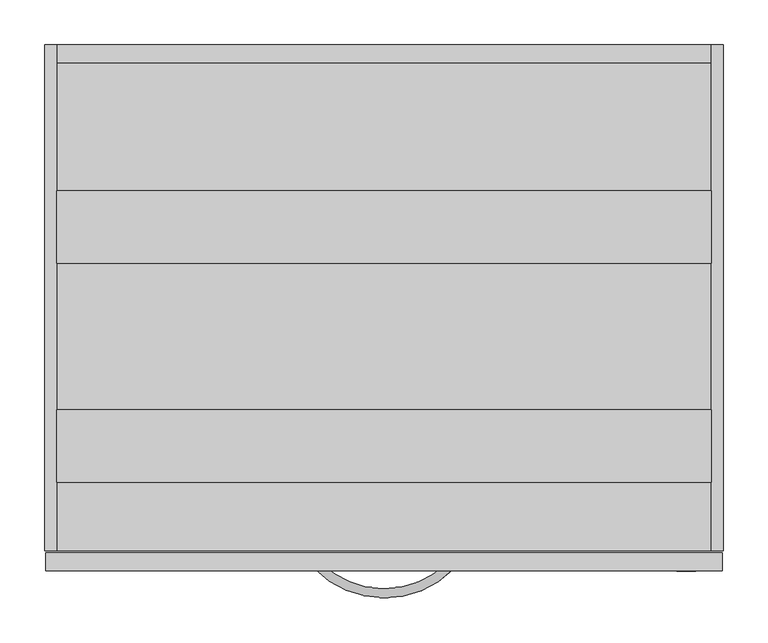
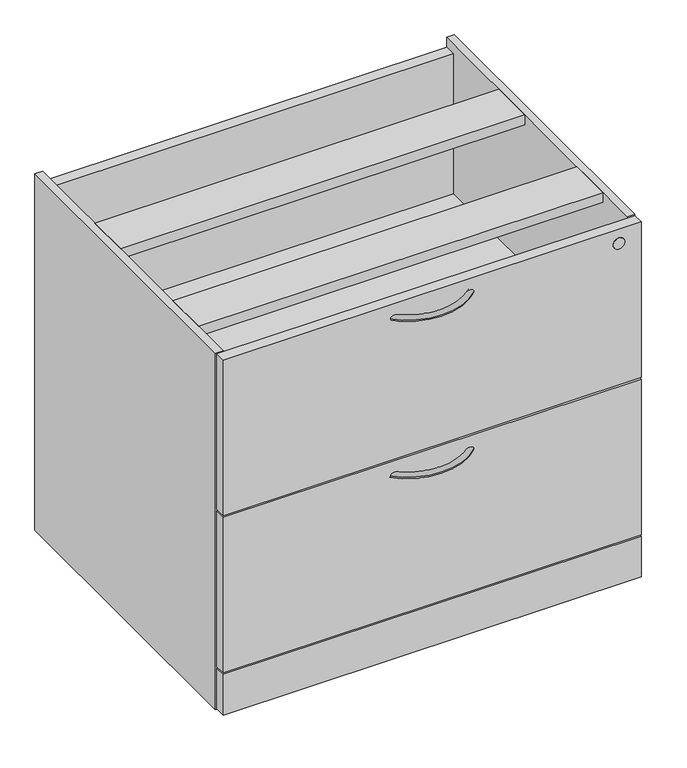
"""IFC4 building model written with IfcOpenShell, lengths in millimetres: furniture geometry."""

from ifc_helpers import new_model, si_unit, point, frame, frame_2d, origin, origin_with_axes, place, context, project, spatial, polyline, circle_curve, ellipse_curve, trimmed, segment, composite_curve, outline, extrude, source, transform, mapped, element, save
from ifc_brep_helpers import plane_surface, revolved_surface, advanced_brep


def furniture_e4789631(model_context):
    return source(origin(), model_context, "Body", "SolidModel", [
        advanced_brep(
        [(434.7081107, 8.5864322, 670.1744451), (441.8639827, 1.3740057, 670.1744451), (293.8452893, 9.140876, 670.1744451), (286.6328628, 1.985004, 670.1744451)],
        [
            (0, 1, circle_curve(frame((438.2860467, 4.9802189, 670.1744451), z_axis=(0.7098844935595596, 0.7043181140675622, 0.0), x_axis=(0.7043181140675622, -0.7098844935595596, 0.0)), 5.08)),
            (1, 0, circle_curve(frame((438.2860467, 4.9802189, 670.1744451), z_axis=(0.7098844935595596, 0.7043181140675622, 0.0), x_axis=(0.7043181140675622, -0.7098844935595596, 0.0)), 5.08)),
            (2, 3, circle_curve(frame((290.2390761, 5.56294, 670.1744451), z_axis=(-0.7043181140675633, 0.7098844935595585, 0.0), x_axis=(-0.7098844935595585, -0.7043181140675633, 0.0)), 5.08)),
            (3, 2, circle_curve(frame((290.2390761, 5.56294, 670.1744451), z_axis=(-0.7043181140675633, 0.7098844935595585, 0.0), x_axis=(-0.7098844935595585, -0.7043181140675633, 0.0)), 5.08)),
            (3, 1, circle_curve(frame((364.5539219, 79.2950648, 670.1744451), z_axis=(0.0, 0.0, 1.0), x_axis=(0.7043181140675623, -0.7098844935595595, 0.0)), 109.7658278)),
            (0, 2, circle_curve(frame((364.5539219, 79.2950648, 670.1744451), z_axis=(0.0, 0.0, -1.0), x_axis=(0.7043181140675623, -0.7098844935595595, 0.0)), 99.6058278)),
        ],
        [
            plane_surface(frame((438.3409674, 4.9248642, 670.1234375), z_axis=(0.7098844935595596, 0.7043181140675623, 0.0), x_axis=(0.0, 0.0, 1.0))),
            plane_surface(frame((290.1837214, 5.5080193, 670.1234375), z_axis=(-0.7043181140675635, 0.7098844935595584, 0.0), x_axis=(0.0, 0.0, 1.0))),
            revolved_surface(trimmed(ellipse_curve(frame((438.2860467, 4.9802189, 670.1744451), z_axis=(0.7098844935595596, 0.7043181140675622, 0.0), x_axis=(0.7043181140675622, -0.7098844935595596, 0.0)), 5.08, 5.08), [point((434.7081107, 8.5864322, 670.1744451))], [point((441.8639827, 1.3740057, 670.1744451))], True, "CARTESIAN"), (364.5539219, 79.2950648, 670.1234375), (0.0, 0.0, -1.0)),
            revolved_surface(trimmed(ellipse_curve(frame((438.2860467, 4.9802189, 670.1744451), z_axis=(0.7098844935595596, 0.7043181140675622, 0.0), x_axis=(0.7043181140675622, -0.7098844935595596, 0.0)), 5.08, 5.08), [point((441.8639827, 1.3740057, 670.1744451))], [point((434.7081107, 8.5864322, 670.1744451))], True, "CARTESIAN"), (364.5539219, 79.2950648, 670.1234375), (0.0, 0.0, -1.0)),
        ],
        [
            (0, [[1, 2]]),
            (1, [[3, 4]]),
            (2, [[5, -1, 6, -4]]),
            (3, [[-6, -2, -5, -3]]),
        ],
    ),
        advanced_brep(
        [(434.7081107, 8.5864322, 368.2790769), (441.8639827, 1.3740057, 368.2790769), (293.8452893, 9.140876, 368.2790769), (286.6328628, 1.985004, 368.2790769)],
        [
            (0, 1, circle_curve(frame((438.2860467, 4.9802189, 368.2790769), z_axis=(0.7098844935595596, 0.7043181140675622, 0.0), x_axis=(0.7043181140675622, -0.7098844935595596, 0.0)), 5.08)),
            (1, 0, circle_curve(frame((438.2860467, 4.9802189, 368.2790769), z_axis=(0.7098844935595596, 0.7043181140675622, 0.0), x_axis=(0.7043181140675622, -0.7098844935595596, 0.0)), 5.08)),
            (2, 3, circle_curve(frame((290.2390761, 5.56294, 368.2790769), z_axis=(-0.7043181140675633, 0.7098844935595585, 0.0), x_axis=(-0.7098844935595585, -0.7043181140675633, 0.0)), 5.08)),
            (3, 2, circle_curve(frame((290.2390761, 5.56294, 368.2790769), z_axis=(-0.7043181140675633, 0.7098844935595585, 0.0), x_axis=(-0.7098844935595585, -0.7043181140675633, 0.0)), 5.08)),
            (3, 1, circle_curve(frame((364.5539219, 79.2950648, 368.2790769), z_axis=(0.0, 0.0, 1.0), x_axis=(0.7043181140675623, -0.7098844935595595, 0.0)), 109.7658278)),
            (0, 2, circle_curve(frame((364.5539219, 79.2950648, 368.2790769), z_axis=(0.0, 0.0, -1.0), x_axis=(0.7043181140675623, -0.7098844935595595, 0.0)), 99.6058278)),
        ],
        [
            plane_surface(frame((438.3409674, 4.9248642, 670.1234375), z_axis=(0.7098844935595596, 0.7043181140675623, 0.0), x_axis=(0.0, 0.0, 1.0))),
            plane_surface(frame((290.1837214, 5.5080193, 670.1234375), z_axis=(-0.7043181140675635, 0.7098844935595584, 0.0), x_axis=(0.0, 0.0, 1.0))),
            revolved_surface(trimmed(ellipse_curve(frame((438.2860467, 4.9802189, 368.2790769), z_axis=(0.7098844935595596, 0.7043181140675622, 0.0), x_axis=(0.7043181140675622, -0.7098844935595596, 0.0)), 5.08, 5.08), [point((434.7081107, 8.5864322, 368.2790769))], [point((441.8639827, 1.3740057, 368.2790769))], True, "CARTESIAN"), (364.5539219, 79.2950648, 670.1234375), (0.0, 0.0, -1.0)),
            revolved_surface(trimmed(ellipse_curve(frame((438.2860467, 4.9802189, 368.2790769), z_axis=(0.7098844935595596, 0.7043181140675622, 0.0), x_axis=(0.7043181140675622, -0.7098844935595596, 0.0)), 5.08, 5.08), [point((441.8639827, 1.3740057, 368.2790769))], [point((434.7081107, 8.5864322, 368.2790769))], True, "CARTESIAN"), (364.5539219, 79.2950648, 670.1234375), (0.0, 0.0, -1.0)),
        ],
        [
            (0, [[1, 2]]),
            (1, [[3, 4]]),
            (2, [[5, -1, 6, -4]]),
            (3, [[-6, -2, -5, -3]]),
        ],
    ),
        extrude(outline(composite_curve([segment(trimmed(circle_curve(frame_2d((670.2634301, 703.6068401)), 10.668), [point((670.2634301, 692.9388401))], [point((670.2634301, 714.2748401))], False, "CARTESIAN"), True, "CONTINUOUS"), segment(trimmed(circle_curve(frame_2d((670.2634301, 703.6068401)), 10.668), [point((670.2634301, 714.2748401))], [point((670.2634301, 692.9388401))], False, "CARTESIAN"), True, "CONTINUOUS")], self_intersect=False)), frame((0.0, -0.508, 0.0), z_axis=(0.0, 1.0, 0.0), x_axis=(0.0, 0.0, 1.0)), (0.0, 0.0, 1.0), 0.5079459),
        extrude(outline(composite_curve([segment(trimmed(circle_curve(frame_2d((19.0968082, 555.2063789)), 14.478), [point((4.6188082, 555.2063789))], [point((33.5748082, 555.2063789))], False, "CARTESIAN"), True, "CONTINUOUS"), segment(trimmed(circle_curve(frame_2d((19.0968082, 555.2063789)), 14.478), [point((33.5748082, 555.2063789))], [point((4.6188082, 555.2063789))], False, "CARTESIAN"), True, "CONTINUOUS")], self_intersect=False)), origin_with_axes(), (0.0, 0.0, 1.0), 12.7),
        extrude(outline(composite_curve([segment(trimmed(circle_curve(frame_2d((19.0968082, 55.3254588)), 14.478), [point((4.6188082, 55.3254588))], [point((33.5748082, 55.3254588))], False, "CARTESIAN"), True, "CONTINUOUS"), segment(trimmed(circle_curve(frame_2d((19.0968082, 55.3254588)), 14.478), [point((33.5748082, 55.3254588))], [point((4.6188082, 55.3254588))], False, "CARTESIAN"), True, "CONTINUOUS")], self_intersect=False)), origin_with_axes(), (0.0, 0.0, 1.0), 12.7),
        extrude(outline(composite_curve([segment(trimmed(circle_curve(frame_2d((709.4419262, 555.2063789)), 14.478), [point((694.9639262, 555.2063789))], [point((723.9199262, 555.2063789))], False, "CARTESIAN"), True, "CONTINUOUS"), segment(trimmed(circle_curve(frame_2d((709.4419262, 555.2063789)), 14.478), [point((723.9199262, 555.2063789))], [point((694.9639262, 555.2063789))], False, "CARTESIAN"), True, "CONTINUOUS")], self_intersect=False)), origin_with_axes(), (0.0, 0.0, 1.0), 12.7),
        extrude(outline(composite_curve([segment(trimmed(circle_curve(frame_2d((709.4419262, 55.3254588)), 14.478), [point((694.9639262, 55.3254588))], [point((723.9199262, 55.3254588))], False, "CARTESIAN"), True, "CONTINUOUS"), segment(trimmed(circle_curve(frame_2d((709.4419262, 55.3254588)), 14.478), [point((723.9199262, 55.3254588))], [point((694.9639262, 55.3254588))], False, "CARTESIAN"), True, "CONTINUOUS")], self_intersect=False)), origin_with_axes(), (0.0, 0.0, 1.0), 12.7),
        extrude(outline(polyline([(744.0562901, -5.41e-05), (-14.9477997, -5.41e-05), (-14.9477997, 20.1673196), (744.0562901, 20.1673196), (744.0562901, -5.41e-05)])), frame((0.0, 0.0, 15.1892005), z_axis=(0.0, 0.0, 1.0), x_axis=(1.0, 0.0, 0.0)), (0.0, 0.0, 1.0), 78.4098011),
        extrude(outline(polyline([(744.0562901, -5.41e-05), (-14.9477997, -5.41e-05), (-14.9477997, 20.1676), (744.0562901, 20.1676), (744.0562901, -5.41e-05)])), frame((0.0, 0.0, 398.3990107), z_axis=(0.0, 0.0, 1.0), x_axis=(1.0, 0.0, 0.0)), (0.0, 0.0, 1.0), 298.8183157),
        extrude(outline(polyline([(744.0562901, -5.41e-05), (-14.9477997, -5.41e-05), (-14.9477997, 20.1676), (744.0562901, 20.1676), (744.0562901, -5.41e-05)])), frame((0.0, 0.0, 96.5962023), z_axis=(0.0, 0.0, 1.0), x_axis=(1.0, 0.0, 0.0)), (0.0, 0.0, 1.0), 298.8056075),
        extrude(outline(polyline([(569.9255503, 678.6499277), (590.55, 678.6499277), (590.55, 12.7), (22.5805444, 12.7), (22.5805444, 32.8675902), (569.9255503, 32.8675902), (569.9255503, 390.8454182), (22.5805444, 390.8454182), (22.5805444, 409.8954182), (569.9255503, 409.8954182), (569.9255503, 678.6499277)])), frame((-2.6276215, 0.0, 0.0), z_axis=(1.0, 0.0, 0.0), x_axis=(0.0, 1.0, 0.0)), (0.0, 0.0, 1.0), 734.3639434),
        extrude(outline(polyline([(731.7363219, 426.4155503), (731.7363219, 345.0338898), (-2.6276215, 345.0338898), (-2.6276215, 426.4155503), (731.7363219, 426.4155503)])), frame((0.0, 0.0, 678.6499277), z_axis=(0.0, 0.0, 1.0), x_axis=(1.0, 0.0, 0.0)), (0.0, 0.0, 1.0), 19.0499723),
        extrude(outline(polyline([(731.7363219, 180.6953118), (731.7363219, 99.3142327), (-2.6276215, 99.3142327), (-2.6276215, 180.6953118), (731.7363219, 180.6953118)])), frame((0.0, 0.0, 678.6499277), z_axis=(0.0, 0.0, 1.0), x_axis=(1.0, 0.0, 0.0)), (0.0, 0.0, 1.0), 19.0499723),
        extrude(outline(polyline([(-2.6276215, 590.55), (-2.6276215, 22.5805444), (-16.4460781, 22.5805444), (-16.4460781, 590.55), (-2.6276215, 590.55)])), frame((0.0, 0.0, 12.7), z_axis=(0.0, 0.0, 1.0), x_axis=(1.0, 0.0, 0.0)), (0.0, 0.0, 1.0), 684.9999),
        extrude(outline(polyline([(745.5539219, 590.55), (745.5539219, 22.5805444), (731.7363219, 22.5805444), (731.7363219, 590.55), (745.5539219, 590.55)])), frame((0.0, 0.0, 12.7), z_axis=(0.0, 0.0, 1.0), x_axis=(1.0, 0.0, 0.0)), (0.0, 0.0, 1.0), 684.9999),
    ])


if __name__ == "__main__":
    model = new_model("IFC4")
    model_context = context("Model", 3, world=origin())
    ifc_project = project(units=[si_unit("LENGTHUNIT", "METRE", prefix="MILLI")], contexts=[model_context])
    site = spatial("IfcSite", under=ifc_project)
    building = spatial("IfcBuilding", under=site)
    placement = place(None, origin())
    furniture_shape = furniture_e4789631(model_context)
    element("IfcFurniture", 1, at=placement, inside=building, context=model_context, shape_type="MappedRepresentation", body=[
        mapped(furniture_shape, transform((0.0, 0.0, 0.0), x_axis=(1.0, 0.0, 0.0), y_axis=(0.0, 1.0, 0.0), z_axis=(0.0, 0.0, 1.0))),
    ])
    save(model, "model.ifc")
